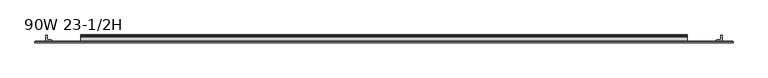
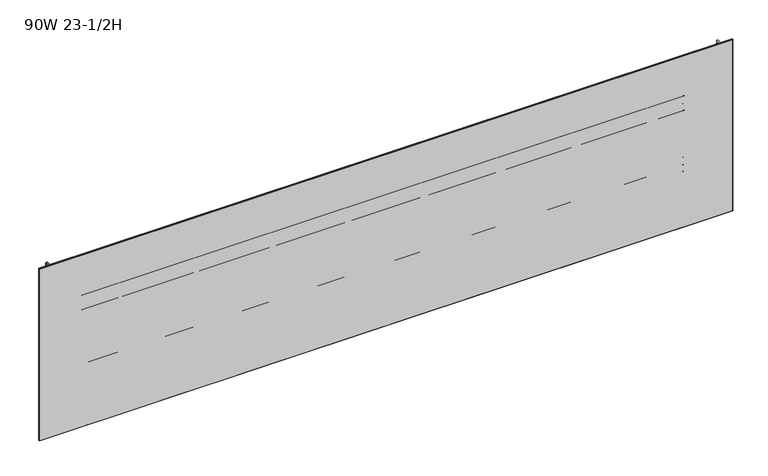
"""IFC4 building model written with IfcOpenShell, lengths in millimetres: furniture geometry, 90W 23-1/2H."""

from ifc_helpers import new_model, si_unit, point, frame, frame_2d, origin, place, context, project, spatial, polyline, circle_curve, trimmed, segment, composite_curve, outline, extrude, faceted_brep, source, transform, mapped, element, save


def furniture_90w_23_1_2h_9a28d74e(model_context):
    return source(origin(), model_context, "Body", "SolidModel", [
        extrude(outline(composite_curve([segment(polyline([(-5.2324, 902.4059175), (-5.2324, 923.5244434)]), True, "CONTINUOUS"), segment(trimmed(circle_curve(frame_2d((-4.677496, 923.5244434)), 0.554904), [point((-5.2324, 923.5244434))], [point((-4.5338691, 924.0604377))], False, "CARTESIAN"), True, "CONTINUOUS"), segment(polyline([(-4.5338691, 924.0604377), (-3.3274001, 923.7371481), (-2.3976956, 922.807481), (-2.0574001, 921.5374277), (-2.0574001, 908.7676431)]), True, "CONTINUOUS"), segment(trimmed(circle_curve(frame_2d((-1.4921701, 908.7676431)), 0.5652299), [point((-2.0574001, 908.7676431))], [point((-1.4921701, 908.2024132))], True, "CARTESIAN"), True, "CONTINUOUS"), segment(polyline([(-1.4921701, 908.2024132), (0.5143951, 908.2024132)]), True, "CONTINUOUS"), segment(trimmed(circle_curve(frame_2d((0.5143951, 907.5992083)), 0.6032049), [point((0.5143951, 908.2024132))], [point((1.1176, 907.5992083))], False, "CARTESIAN"), True, "CONTINUOUS"), segment(polyline([(1.1176, 907.5992083), (1.1176, 876.4846046)]), True, "CONTINUOUS"), segment(trimmed(circle_curve(frame_2d((0.6637885, 879.1738096)), 2.7272272), [point((1.1176, 876.4846046))], [point((-2.0574001, 878.9924229))], False, "CARTESIAN"), True, "CONTINUOUS"), segment(polyline([(-2.0574001, 878.9924229), (-2.0574001, 901.3081717)]), True, "CONTINUOUS"), segment(trimmed(circle_curve(frame_2d((-2.6016657, 901.3081717)), 0.5442657), [point((-2.0574001, 901.3081717))], [point((-2.6016657, 901.8524374))], True, "CARTESIAN"), True, "CONTINUOUS"), segment(polyline([(-2.6016657, 901.8524374), (-4.6789199, 901.8524374)]), True, "CONTINUOUS"), segment(trimmed(circle_curve(frame_2d((-4.6789199, 902.4059175)), 0.5534801), [point((-4.6789199, 901.8524374))], [point((-5.2324, 902.4059175))], False, "CARTESIAN"), True, "CONTINUOUS")], self_intersect=False)), frame((152.4, 0.0, 0.0), z_axis=(1.0, 0.0, 0.0), x_axis=(0.0, 1.0, 0.0)), (0.0, 0.0, 1.0), 1981.2),
        extrude(outline(composite_curve([segment(polyline([(-7.1373999, 955.8274132), (-4.5974, 955.1468588), (-2.7379909, 953.2874519), (-2.0574001, 950.747418), (-2.0574001, 929.1337352)]), True, "CONTINUOUS"), segment(trimmed(circle_curve(frame_2d((-1.4969277, 929.1337352)), 0.5604724), [point((-2.0574001, 929.1337352))], [point((-1.4969277, 928.5732628))], True, "CARTESIAN"), True, "CONTINUOUS"), segment(polyline([(-1.4969277, 928.5732628), (0.4039455, 928.5732628)]), True, "CONTINUOUS"), segment(trimmed(circle_curve(frame_2d((0.4039455, 927.8596084)), 0.7136544), [point((0.4039455, 928.5732628))], [point((1.1176, 927.8596084))], False, "CARTESIAN"), True, "CONTINUOUS"), segment(polyline([(1.1176, 927.8596084), (1.1176, 909.5034694)]), True, "CONTINUOUS"), segment(trimmed(circle_curve(frame_2d((0.4746932, 909.5034694)), 0.6429068), [point((1.1176, 909.5034694))], [point((-0.1003385, 909.2159495))], False, "CARTESIAN"), True, "CONTINUOUS"), segment(polyline([(-0.1003385, 909.2159495), (-1.8183367, 912.6518984)]), True, "CONTINUOUS"), segment(trimmed(circle_curve(frame_2d((0.2069874, 913.6645745)), 2.2643874), [point((-1.8183367, 912.6518984))], [point((-2.0574001, 913.6645745))], False, "CARTESIAN"), True, "CONTINUOUS"), segment(polyline([(-2.0574001, 913.6645745), (-2.0574001, 923.3402528)]), True, "CONTINUOUS"), segment(trimmed(circle_curve(frame_2d((-2.7946089, 923.3402528)), 0.7372088), [point((-2.0574001, 923.3402528))], [point((-2.7946089, 924.0774616))], True, "CARTESIAN"), True, "CONTINUOUS"), segment(polyline([(-2.7946089, 924.0774616), (-19.4564001, 924.0774616), (-19.4564001, 955.8274132), (-7.1373999, 955.8274132)]), True, "CONTINUOUS")], self_intersect=False), holes=[composite_curve([segment(trimmed(circle_curve(frame_2d((-13.0222745, 950.5363262)), 2.7511257), [point((-13.0222745, 953.2874519))], [point((-15.7734002, 950.5363262))], True, "CARTESIAN"), True, "CONTINUOUS"), segment(polyline([(-15.7734002, 950.5363262), (-15.7734002, 929.2014781)]), True, "CONTINUOUS"), segment(trimmed(circle_curve(frame_2d((-13.189345, 929.2014781)), 2.5840552), [point((-15.7734002, 929.2014781))], [point((-13.189345, 926.6174229))], True, "CARTESIAN"), True, "CONTINUOUS"), segment(polyline([(-13.189345, 926.6174229), (-7.4218653, 926.6174229)]), True, "CONTINUOUS"), segment(trimmed(circle_curve(frame_2d((-7.4218653, 929.4418881)), 2.8244652), [point((-7.4218653, 926.6174229))], [point((-4.5974, 929.4418881))], True, "CARTESIAN"), True, "CONTINUOUS"), segment(polyline([(-4.5974, 929.4418881), (-4.5974, 950.6103081)]), True, "CONTINUOUS"), segment(trimmed(circle_curve(frame_2d((-7.2745438, 950.6103081)), 2.6771438), [point((-4.5974, 950.6103081))], [point((-7.2745438, 953.2874519))], True, "CARTESIAN"), True, "CONTINUOUS"), segment(polyline([(-7.2745438, 953.2874519), (-13.0222745, 953.2874519)]), True, "CONTINUOUS")], self_intersect=False)]), frame((152.4, 0.0, 0.0), z_axis=(1.0, 0.0, 0.0), x_axis=(0.0, 1.0, 0.0)), (0.0, 0.0, 1.0), 1981.2),
        extrude(outline(composite_curve([segment(polyline([(-5.2324, 1115.1182044), (-5.2324, 1136.2367302)]), True, "CONTINUOUS"), segment(trimmed(circle_curve(frame_2d((-4.677496, 1136.2367302)), 0.554904), [point((-5.2324, 1136.2367302))], [point((-4.5338691, 1136.7727245))], False, "CARTESIAN"), True, "CONTINUOUS"), segment(polyline([(-4.5338691, 1136.7727245), (-3.3274001, 1136.4494349), (-2.3976956, 1135.5197678), (-2.0574001, 1134.2497145), (-2.0574001, 1121.4799299)]), True, "CONTINUOUS"), segment(trimmed(circle_curve(frame_2d((-1.4921701, 1121.4799299)), 0.5652299), [point((-2.0574001, 1121.4799299))], [point((-1.4921701, 1120.9147))], True, "CARTESIAN"), True, "CONTINUOUS"), segment(polyline([(-1.4921701, 1120.9147), (0.5143951, 1120.9147)]), True, "CONTINUOUS"), segment(trimmed(circle_curve(frame_2d((0.5143951, 1120.3114951)), 0.6032049), [point((0.5143951, 1120.9147))], [point((1.1176, 1120.3114951))], False, "CARTESIAN"), True, "CONTINUOUS"), segment(polyline([(1.1176, 1120.3114951), (1.1176, 1089.1968914)]), True, "CONTINUOUS"), segment(trimmed(circle_curve(frame_2d((0.6637885, 1091.8860964)), 2.7272272), [point((1.1176, 1089.1968914))], [point((-2.0574001, 1091.7047097))], False, "CARTESIAN"), True, "CONTINUOUS"), segment(polyline([(-2.0574001, 1091.7047097), (-2.0574001, 1114.0204586)]), True, "CONTINUOUS"), segment(trimmed(circle_curve(frame_2d((-2.6016657, 1114.0204586)), 0.5442657), [point((-2.0574001, 1114.0204586))], [point((-2.6016657, 1114.5647242))], True, "CARTESIAN"), True, "CONTINUOUS"), segment(polyline([(-2.6016657, 1114.5647242), (-4.6789199, 1114.5647242)]), True, "CONTINUOUS"), segment(trimmed(circle_curve(frame_2d((-4.6789199, 1115.1182044)), 0.5534801), [point((-4.6789199, 1114.5647242))], [point((-5.2324, 1115.1182044))], False, "CARTESIAN"), True, "CONTINUOUS")], self_intersect=False)), frame((152.4, 0.0, 0.0), z_axis=(1.0, 0.0, 0.0), x_axis=(0.0, 1.0, 0.0)), (0.0, 0.0, 1.0), 1981.2),
        extrude(outline(composite_curve([segment(polyline([(-7.1373999, 1168.5397), (-4.5974, 1167.8591456), (-2.7379909, 1165.9997388), (-2.0574001, 1163.4597048), (-2.0574001, 1141.846022)]), True, "CONTINUOUS"), segment(trimmed(circle_curve(frame_2d((-1.4969277, 1141.846022)), 0.5604724), [point((-2.0574001, 1141.846022))], [point((-1.4969277, 1141.2855496))], True, "CARTESIAN"), True, "CONTINUOUS"), segment(polyline([(-1.4969277, 1141.2855496), (0.4039455, 1141.2855496)]), True, "CONTINUOUS"), segment(trimmed(circle_curve(frame_2d((0.4039455, 1140.5718952)), 0.7136544), [point((0.4039455, 1141.2855496))], [point((1.1176, 1140.5718952))], False, "CARTESIAN"), True, "CONTINUOUS"), segment(polyline([(1.1176, 1140.5718952), (1.1176, 1122.2157562)]), True, "CONTINUOUS"), segment(trimmed(circle_curve(frame_2d((0.4746932, 1122.2157562)), 0.6429068), [point((1.1176, 1122.2157562))], [point((-0.1003385, 1121.9282364))], False, "CARTESIAN"), True, "CONTINUOUS"), segment(polyline([(-0.1003385, 1121.9282364), (-1.8183367, 1125.3641852)]), True, "CONTINUOUS"), segment(trimmed(circle_curve(frame_2d((0.2069874, 1126.3768613)), 2.2643874), [point((-1.8183367, 1125.3641852))], [point((-2.0574001, 1126.3768613))], False, "CARTESIAN"), True, "CONTINUOUS"), segment(polyline([(-2.0574001, 1126.3768613), (-2.0574001, 1136.0525396)]), True, "CONTINUOUS"), segment(trimmed(circle_curve(frame_2d((-2.7946089, 1136.0525396)), 0.7372088), [point((-2.0574001, 1136.0525396))], [point((-2.7946089, 1136.7897484))], True, "CARTESIAN"), True, "CONTINUOUS"), segment(polyline([(-2.7946089, 1136.7897484), (-19.4564001, 1136.7897484), (-19.4564001, 1168.5397), (-7.1373999, 1168.5397)]), True, "CONTINUOUS")], self_intersect=False), holes=[composite_curve([segment(trimmed(circle_curve(frame_2d((-13.0222745, 1163.248613)), 2.7511257), [point((-13.0222745, 1165.9997388))], [point((-15.7734002, 1163.248613))], True, "CARTESIAN"), True, "CONTINUOUS"), segment(polyline([(-15.7734002, 1163.248613), (-15.7734002, 1141.9137649)]), True, "CONTINUOUS"), segment(trimmed(circle_curve(frame_2d((-13.189345, 1141.9137649)), 2.5840552), [point((-15.7734002, 1141.9137649))], [point((-13.189345, 1139.3297097))], True, "CARTESIAN"), True, "CONTINUOUS"), segment(polyline([(-13.189345, 1139.3297097), (-7.4218653, 1139.3297097)]), True, "CONTINUOUS"), segment(trimmed(circle_curve(frame_2d((-7.4218653, 1142.1541749)), 2.8244652), [point((-7.4218653, 1139.3297097))], [point((-4.5974, 1142.1541749))], True, "CARTESIAN"), True, "CONTINUOUS"), segment(polyline([(-4.5974, 1142.1541749), (-4.5974, 1163.322595)]), True, "CONTINUOUS"), segment(trimmed(circle_curve(frame_2d((-7.2745438, 1163.322595)), 2.6771438), [point((-4.5974, 1163.322595))], [point((-7.2745438, 1165.9997388))], True, "CARTESIAN"), True, "CONTINUOUS"), segment(polyline([(-7.2745438, 1165.9997388), (-13.0222745, 1165.9997388)]), True, "CONTINUOUS")], self_intersect=False)]), frame((152.4, 0.0, 0.0), z_axis=(1.0, 0.0, 0.0), x_axis=(0.0, 1.0, 0.0)), (0.0, 0.0, 1.0), 1981.2),
        extrude(outline(composite_curve([segment(trimmed(circle_curve(frame_2d((2247.3524764, -18.9088765)), 0.5475236), [point((2247.9, -18.9088765))], [point((2247.3524764, -19.4564001))], False, "CARTESIAN"), True, "CONTINUOUS"), segment(polyline([(2247.3524764, -19.4564001), (2229.4113866, -19.4564001)]), True, "CONTINUOUS"), segment(trimmed(circle_curve(frame_2d((2229.4113866, -18.8950135)), 0.5613866), [point((2229.4113866, -19.4564001))], [point((2228.85, -18.8950135))], False, "CARTESIAN"), True, "CONTINUOUS"), segment(polyline([(2228.85, -18.8950135), (2228.85, -16.8669745)]), True, "CONTINUOUS"), segment(trimmed(circle_curve(frame_2d((2231.4294745, -16.8669745)), 2.5794745), [point((2228.85, -16.8669745))], [point((2231.4294745, -14.2875))], False, "CARTESIAN"), True, "CONTINUOUS"), segment(polyline([(2231.4294745, -14.2875), (2242.4787912, -14.2875)]), True, "CONTINUOUS"), segment(trimmed(circle_curve(frame_2d((2242.4787912, -13.6414903)), 0.6460097), [point((2242.4787912, -14.2875))], [point((2243.1248009, -13.6414903))], True, "CARTESIAN"), True, "CONTINUOUS"), segment(polyline([(2243.1248009, -13.6414903), (2243.1248009, -2.768893)]), True, "CONTINUOUS"), segment(trimmed(circle_curve(frame_2d((2245.8936939, -2.768893)), 2.768893), [point((2243.1248009, -2.768893))], [point((2245.8936939, 0.0))], False, "CARTESIAN"), True, "CONTINUOUS"), segment(polyline([(2245.8936939, 0.0), (2247.3082199, 0.0)]), True, "CONTINUOUS"), segment(trimmed(circle_curve(frame_2d((2247.3082199, -0.5917801)), 0.5917801), [point((2247.3082199, 0.0))], [point((2247.9, -0.5917801))], False, "CARTESIAN"), True, "CONTINUOUS"), segment(polyline([(2247.9, -0.5917801), (2247.9, -18.9088765)]), True, "CONTINUOUS")], self_intersect=False)), frame((0.0, 0.0, 728.98), z_axis=(0.0, 0.0, 1.0), x_axis=(1.0, 0.0, 0.0)), (0.0, 0.0, 1.0), 587.3623),
        extrude(outline(composite_curve([segment(polyline([(38.1, -18.9088765), (38.1, -0.5917801)]), True, "CONTINUOUS"), segment(trimmed(circle_curve(frame_2d((38.6917801, -0.5917801)), 0.5917801), [point((38.1, -0.5917801))], [point((38.6917801, 0.0))], False, "CARTESIAN"), True, "CONTINUOUS"), segment(polyline([(38.6917801, 0.0), (40.1063061, 0.0)]), True, "CONTINUOUS"), segment(trimmed(circle_curve(frame_2d((40.1063061, -2.768893)), 2.768893), [point((40.1063061, 0.0))], [point((42.8751991, -2.768893))], False, "CARTESIAN"), True, "CONTINUOUS"), segment(polyline([(42.8751991, -2.768893), (42.8751991, -13.6414903)]), True, "CONTINUOUS"), segment(trimmed(circle_curve(frame_2d((43.5212088, -13.6414903)), 0.6460097), [point((42.8751991, -13.6414903))], [point((43.5212088, -14.2875))], True, "CARTESIAN"), True, "CONTINUOUS"), segment(polyline([(43.5212088, -14.2875), (54.5705255, -14.2875)]), True, "CONTINUOUS"), segment(trimmed(circle_curve(frame_2d((54.5705255, -16.8669745)), 2.5794745), [point((54.5705255, -14.2875))], [point((57.15, -16.8669745))], False, "CARTESIAN"), True, "CONTINUOUS"), segment(polyline([(57.15, -16.8669745), (57.15, -18.8950135)]), True, "CONTINUOUS"), segment(trimmed(circle_curve(frame_2d((56.5886134, -18.8950135)), 0.5613866), [point((57.15, -18.8950135))], [point((56.5886134, -19.4564001))], False, "CARTESIAN"), True, "CONTINUOUS"), segment(polyline([(56.5886134, -19.4564001), (38.6475236, -19.4564001)]), True, "CONTINUOUS"), segment(trimmed(circle_curve(frame_2d((38.6475236, -18.9088765)), 0.5475236), [point((38.6475236, -19.4564001))], [point((38.1, -18.9088765))], False, "CARTESIAN"), True, "CONTINUOUS")], self_intersect=False)), frame((0.0, 0.0, 728.98), z_axis=(0.0, 0.0, 1.0), x_axis=(1.0, 0.0, 0.0)), (0.0, 0.0, 1.0), 587.3623),
        extrude(outline(polyline([(2278.6975002, -20.0634601), (7.3024998, -20.0634601), (7.3024998, -19.4564001), (2278.6975002, -19.4564001), (2278.6975002, -20.0634601)])), frame((0.0, 0.0, 728.98), z_axis=(0.0, 0.0, 1.0), x_axis=(1.0, 0.0, 0.0)), (0.0, 0.0, 1.0), 587.3623),
        faceted_brep([(2283.4600024, -24.0512595, 1321.1048), (2283.4600024, -20.8508598, 1321.1048), (2.5400001, -20.8508598, 1321.1048), (2.5400001, -24.0512595, 1321.1048), (2.5400001, -24.0512595, 724.2048), (2.5400001, -20.8508598, 724.2048), (2283.4600024, -20.8508598, 724.2048), (2283.4600024, -24.0512595, 724.2048), (3.3274521, -24.8386592, 1320.3173481), (3.3274521, -24.8386592, 724.9922519), (2282.6725505, -24.8386592, 724.9922519), (2282.6725505, -24.8386592, 1320.3173481), (3.3274521, -20.0634601, 724.9922519), (3.3274521, -20.0634601, 1320.3173481), (2282.6725505, -20.0634601, 1320.3173481), (2282.6725505, -20.0634601, 724.9922519)], [[[0, 1, 2, 3]], [[4, 5, 6, 7]], [[8, 9, 10, 11]], [[1, 0, 7, 6]], [[12, 13, 14, 15]], [[3, 2, 5, 4]], [[12, 5, 2, 13]], [[4, 9, 8, 3]], [[5, 12, 15, 6]], [[9, 4, 7, 10]], [[6, 15, 14, 1]], [[10, 7, 0, 11]], [[13, 2, 1, 14]], [[3, 8, 11, 0]]]),
    ])


if __name__ == "__main__":
    model = new_model("IFC4")
    model_context = context("Model", 3, world=origin())
    ifc_project = project(units=[si_unit("LENGTHUNIT", "METRE", prefix="MILLI")], contexts=[model_context])
    site = spatial("IfcSite", under=ifc_project)
    building = spatial("IfcBuilding", under=site)
    placement = place(None, origin())
    furniture_90w_23_1_2h_shape = furniture_90w_23_1_2h_9a28d74e(model_context)
    element("IfcFurniture", 1, ObjectType="90W 23-1/2H", at=placement, inside=building, context=model_context, shape_type="MappedRepresentation", body=[
        mapped(furniture_90w_23_1_2h_shape, transform((0.0, 0.0, 0.0), x_axis=(1.0, 0.0, 0.0), y_axis=(0.0, 1.0, 0.0), z_axis=(0.0, 0.0, 1.0))),
    ])
    save(model, "model.ifc")
